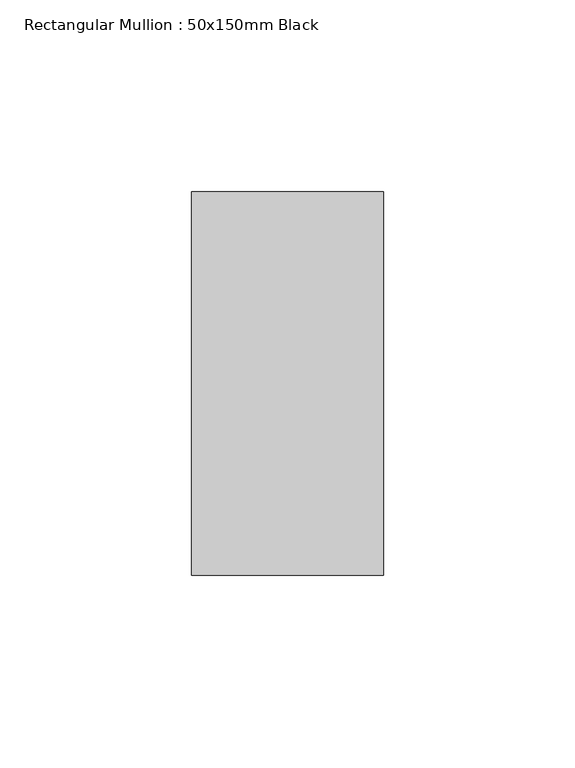
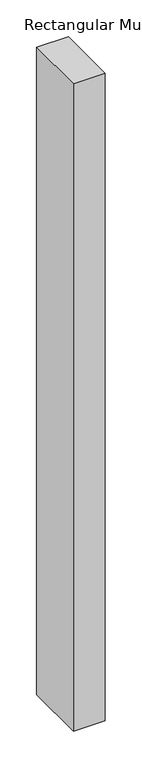
"""IFC4 building model written with IfcOpenShell, lengths in millimetres: member geometry, Rectangular Mullion : 50x150mm Black."""

from ifc_helpers import new_model, si_unit, frame, origin, place, context, project, spatial, polyline, outline, extrude, source, transform, mapped, element, save


def rectangular_mullion_50x150mm_black_8322f18e(model_context):
    return source(origin(), model_context, "Body", "SweptSolid", [
        extrude(outline(polyline([(0.0, 50.0), (0.0, -50.0), (-50.0, -50.0), (-50.0, 50.0), (0.0, 50.0)])), frame((0.0, 0.0, -1075.0), z_axis=(0.0, 0.0, 1.0), x_axis=(1.0, 0.0, 0.0)), (0.0, 0.0, 1.0), 1075.0),
    ])


if __name__ == "__main__":
    model = new_model("IFC4")
    model_context = context("Model", 3, world=origin())
    ifc_project = project(units=[si_unit("LENGTHUNIT", "METRE", prefix="MILLI")], contexts=[model_context])
    site = spatial("IfcSite", under=ifc_project)
    building = spatial("IfcBuilding", under=site)
    placement = place(None, origin())
    rectangular_mullion_50x150mm_black_shape = rectangular_mullion_50x150mm_black_8322f18e(model_context)
    element("IfcMember", 1, ObjectType="Rectangular Mullion : 50x150mm Black", at=placement, inside=building, context=model_context, shape_type="MappedRepresentation", body=[
        mapped(rectangular_mullion_50x150mm_black_shape, transform((0.0, 0.0, 0.0), x_axis=(1.0, 0.0, 0.0), y_axis=(0.0, 1.0, 0.0), z_axis=(0.0, 0.0, 1.0))),
    ])
    save(model, "model.ifc")
